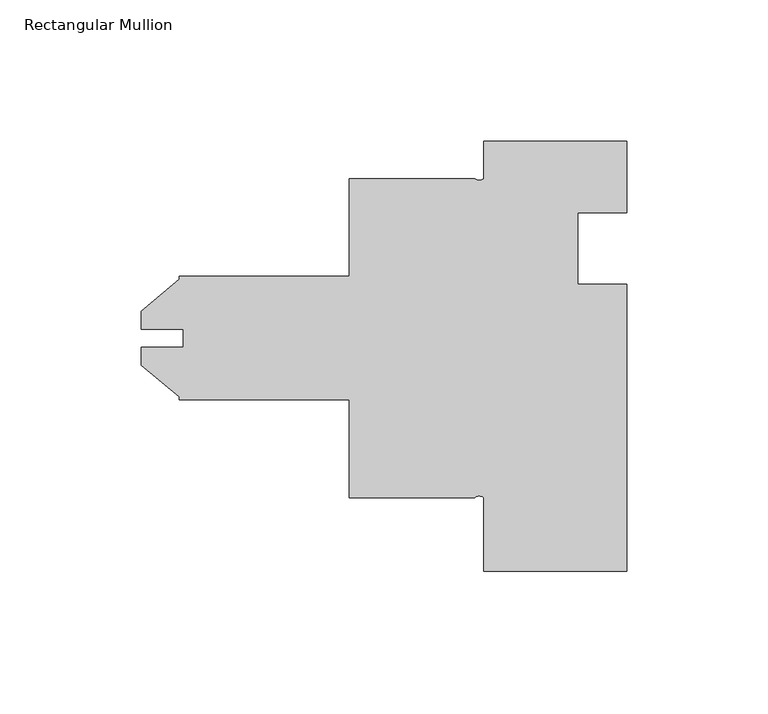
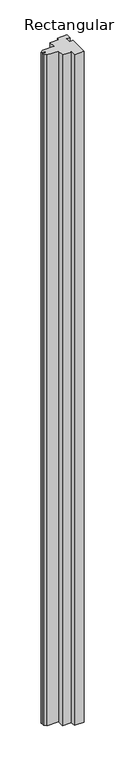
"""IFC4 building model written with IfcOpenShell, lengths in millimetres: member geometry, Rectangular Mullion."""

from ifc_helpers import new_model, si_unit, point, frame, frame_2d, origin, place, context, project, spatial, polyline, circle_curve, trimmed, segment, composite_curve, outline, extrude, source, transform, mapped, element, save


def rectangular_mullion_89b07a2b(model_context):
    return source(origin(), model_context, "Body", "SweptSolid", [
        extrude(outline(composite_curve([segment(polyline([(50.8, -152.4), (0.0, -152.4), (0.0, -126.3904)]), True, "CONTINUOUS"), segment(trimmed(circle_curve(frame_2d((-1.5875, -128.1526573)), 2.3718573), [point((0.0, -126.3904))], [point((-3.175, -126.3904))], True, "CARTESIAN"), True, "CONTINUOUS"), segment(polyline([(-3.175, -126.3904), (-47.625, -126.3904), (-47.625, -91.7448), (-107.95, -91.7448), (-107.95, -90.6782933), (-121.412, -79.382334), (-121.412, -73.0120621), (-106.3752, -73.0120621), (-106.3752, -66.6879379), (-121.412, -66.6879379), (-121.412, -60.317666), (-107.95, -49.0217067), (-107.95, -47.9552), (-47.625, -47.9552), (-47.625, -13.3096), (-3.175, -13.3096)]), True, "CONTINUOUS"), segment(trimmed(circle_curve(frame_2d((-1.5875, -11.5473427)), 2.3718573), [point((-3.175, -13.3096))], [point((0.0, -13.3096))], True, "CARTESIAN"), True, "CONTINUOUS"), segment(polyline([(0.0, -13.3096), (0.0, 0.0), (50.8, 0.0), (50.8, -25.4), (33.3502, -25.4), (33.3502, -50.8), (50.8, -50.8), (50.8, -152.4)]), True, "CONTINUOUS")], self_intersect=False)), frame((0.0, 0.0, -3748.2942247), z_axis=(0.0, 0.0, 1.0), x_axis=(1.0, 0.0, 0.0)), (0.0, 0.0, 1.0), 3748.2942247),
    ])


if __name__ == "__main__":
    model = new_model("IFC4")
    model_context = context("Model", 3, world=origin())
    ifc_project = project(units=[si_unit("LENGTHUNIT", "METRE", prefix="MILLI")], contexts=[model_context])
    site = spatial("IfcSite", under=ifc_project)
    building = spatial("IfcBuilding", under=site)
    placement = place(None, origin())
    rectangular_mullion_shape = rectangular_mullion_89b07a2b(model_context)
    element("IfcMember", 1, ObjectType="Rectangular Mullion", at=placement, inside=building, context=model_context, shape_type="MappedRepresentation", body=[
        mapped(rectangular_mullion_shape, transform((0.0, 0.0, 0.0), x_axis=(1.0, 0.0, 0.0), y_axis=(0.0, 1.0, 0.0), z_axis=(0.0, 0.0, 1.0))),
    ])
    save(model, "model.ifc")
